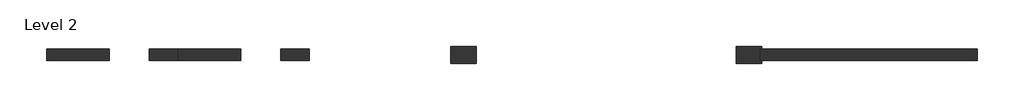
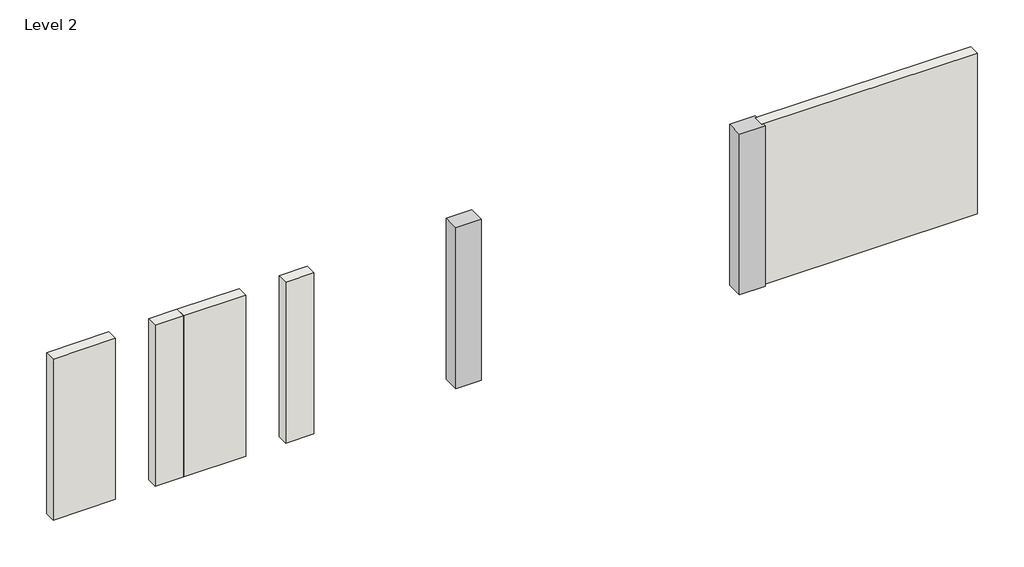
# One storey: 5 walls, 2 columns.
"""IFC4 building model written with IfcOpenShell, lengths in millimetres."""

from ifc_helpers import new_model, si_unit, frame, origin, place, context, project, spatial, polyline, outline, extrude, faceted_brep, element, save

model = new_model("IFC4")

# Units and contexts
model_context = context("Model", 3, world=origin())
ifc_project = project(units=[si_unit("LENGTHUNIT", "METRE", prefix="MILLI")], contexts=[model_context])

# Site, building, storey
site = spatial("IfcSite", under=ifc_project)
building = spatial("IfcBuilding", under=site)
storey = spatial("IfcBuildingStorey", under=building, Name="Level 2", Elevation=3000.0)

# Columns
placement = place(None, origin())
element("IfcColumn", 1, ObjectType="Concrete-Rectangular-Column : 300 x 450mm", at=placement, inside=storey, context=model_context, shape_type="SweptSolid", body=[
    extrude(outline(polyline([(-1630.1340987, 11056.1906431), (-2080.1340987, 11056.1906431), (-2080.1340987, 11356.1906431), (-1630.1340987, 11356.1906431), (-1630.1340987, 11056.1906431)])), frame((0.0, 0.0, 3000.0), z_axis=(0.0, 0.0, 1.0), x_axis=(1.0, 0.0, 0.0)), (0.0, 0.0, 1.0), 3000.0),
])
element("IfcColumn", 2, ObjectType="Concrete-Rectangular-Column : 300 x 450mm", at=placement, inside=storey, context=model_context, shape_type="SweptSolid", body=[
    extrude(outline(polyline([(3369.8659013, 11056.1906431), (2919.8659013, 11056.1906431), (2919.8659013, 11356.1906431), (3369.8659013, 11356.1906431), (3369.8659013, 11306.1906431), (3344.8659013, 11306.1906431), (3344.8659013, 11106.1906431), (3369.8659013, 11106.1906431), (3369.8659013, 11056.1906431)])), frame((0.0, 0.0, 3000.0), z_axis=(0.0, 0.0, 1.0), x_axis=(1.0, 0.0, 0.0)), (0.0, 0.0, 1.0), 3000.0),
])

# Walls
element("IfcWall", 3, ObjectType="Generic - 200mm", at=placement, inside=storey, context=model_context, shape_type="SweptSolid", body=[
    extrude(outline(polyline([(-5755.1340987, 11106.1906431), (-6855.1340987, 11106.1906431), (-6855.1340987, 11306.1906431), (-5755.1340987, 11306.1906431), (-5755.1340987, 11106.1906431)])), frame((0.0, 0.0, 3000.0), z_axis=(0.0, 0.0, 1.0), x_axis=(1.0, 0.0, 0.0)), (0.0, 0.0, 1.0), 3000.0),
])
element("IfcWall", 4, ObjectType="Generic - 200mm", at=placement, inside=storey, context=model_context, shape_type="SweptSolid", body=[
    extrude(outline(polyline([(-4555.1340987, 11106.1906431), (-5055.1340987, 11106.1906431), (-5055.1340987, 11306.1906431), (-4555.1340987, 11306.1906431), (-4555.1340987, 11106.1906431)])), frame((0.0, 0.0, 3000.0), z_axis=(0.0, 0.0, 1.0), x_axis=(1.0, 0.0, 0.0)), (0.0, 0.0, 1.0), 3000.0),
])
element("IfcWall", 5, ObjectType="Generic - 200mm", at=placement, inside=storey, context=model_context, shape_type="Brep", body=[
    faceted_brep([(3344.8659013, 11106.1906431, 3000.0), (3369.8659013, 11106.1906431, 3000.0), (7144.8659013, 11106.1906431, 3000.0), (7144.8659013, 11106.1906431, 6000.0), (3369.8659013, 11106.1906431, 6000.0), (3344.8659013, 11106.1906431, 6000.0), (3344.8659013, 11306.1906431, 3000.0), (3344.8659013, 11306.1906431, 6000.0), (3369.8659013, 11306.1906431, 6000.0), (7144.8659013, 11306.1906431, 6000.0), (7144.8659013, 11306.1906431, 3000.0), (3369.8659013, 11306.1906431, 3000.0)], [[[0, 1, 2, 3, 4, 5]], [[6, 7, 8, 9, 10, 11]], [[2, 1, 0, 6, 11, 10]], [[3, 2, 10, 9]], [[5, 4, 3, 9, 8, 7]], [[0, 5, 7, 6]]]),
])
element("IfcWall", 6, ObjectType="Generic - 200mm", at=placement, inside=storey, context=model_context, shape_type="SweptSolid", body=[
    extrude(outline(polyline([(-8055.1340987, 11106.1906431), (-9155.1340987, 11106.1906431), (-9155.1340987, 11306.1906431), (-8055.1340987, 11306.1906431), (-8055.1340987, 11106.1906431)])), frame((0.0, 0.0, 3000.0), z_axis=(0.0, 0.0, 1.0), x_axis=(1.0, 0.0, 0.0)), (0.0, 0.0, 1.0), 3000.0),
])
element("IfcWall", 7, ObjectType="Generic - 200mm", at=placement, inside=storey, context=model_context, shape_type="SweptSolid", body=[
    extrude(outline(polyline([(-6855.1340987, 11106.1906431), (-7355.1340987, 11106.1906431), (-7355.1340987, 11306.1906431), (-6855.1340987, 11306.1906431), (-6855.1340987, 11106.1906431)])), frame((0.0, 0.0, 3000.0), z_axis=(0.0, 0.0, 1.0), x_axis=(1.0, 0.0, 0.0)), (0.0, 0.0, 1.0), 3000.0),
])

save(model, "model.ifc")
